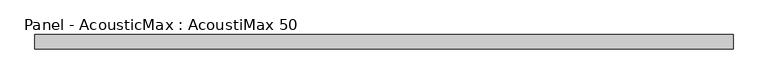
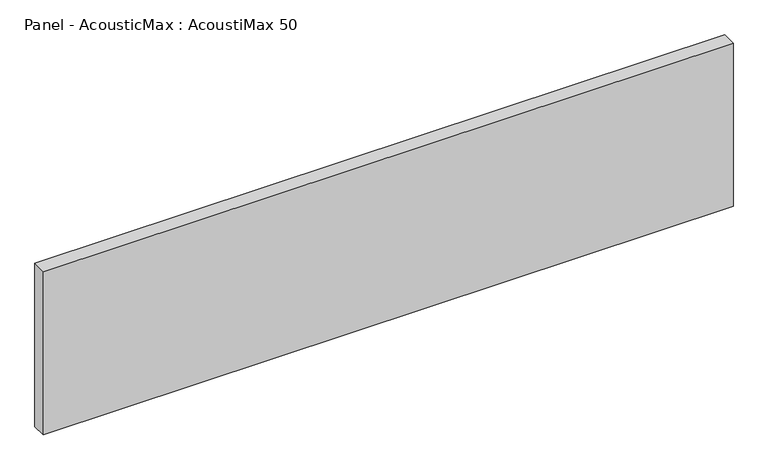
"""IFC4 building model written with IfcOpenShell, lengths in millimetres: plate geometry, Panel - AcousticMax : AcoustiMax 50."""

from ifc_helpers import new_model, si_unit, origin, origin_with_axes, place, context, project, spatial, polyline, outline, extrude, source, transform, mapped, element, save


def panel_acousticmax_acoustimax_50_8e0978e7(model_context):
    return source(origin(), model_context, "Body", "SweptSolid", [
        extrude(outline(polyline([(1200.0, -25.0), (-1199.5, -25.0), (-1199.5, 25.0), (1200.0, 25.0), (1200.0, -25.0)])), origin_with_axes(), (0.0, 0.0, 1.0), 600.0),
    ])


if __name__ == "__main__":
    model = new_model("IFC4")
    model_context = context("Model", 3, world=origin())
    ifc_project = project(units=[si_unit("LENGTHUNIT", "METRE", prefix="MILLI")], contexts=[model_context])
    site = spatial("IfcSite", under=ifc_project)
    building = spatial("IfcBuilding", under=site)
    placement = place(None, origin())
    panel_acousticmax_acoustimax_50_shape = panel_acousticmax_acoustimax_50_8e0978e7(model_context)
    element("IfcPlate", 1, ObjectType="Panel - AcousticMax : AcoustiMax 50", at=placement, inside=building, context=model_context, shape_type="MappedRepresentation", body=[
        mapped(panel_acousticmax_acoustimax_50_shape, transform((0.0, 0.0, 0.0), x_axis=(1.0, 0.0, 0.0), y_axis=(0.0, 1.0, 0.0), z_axis=(0.0, 0.0, 1.0))),
    ])
    save(model, "model.ifc")
